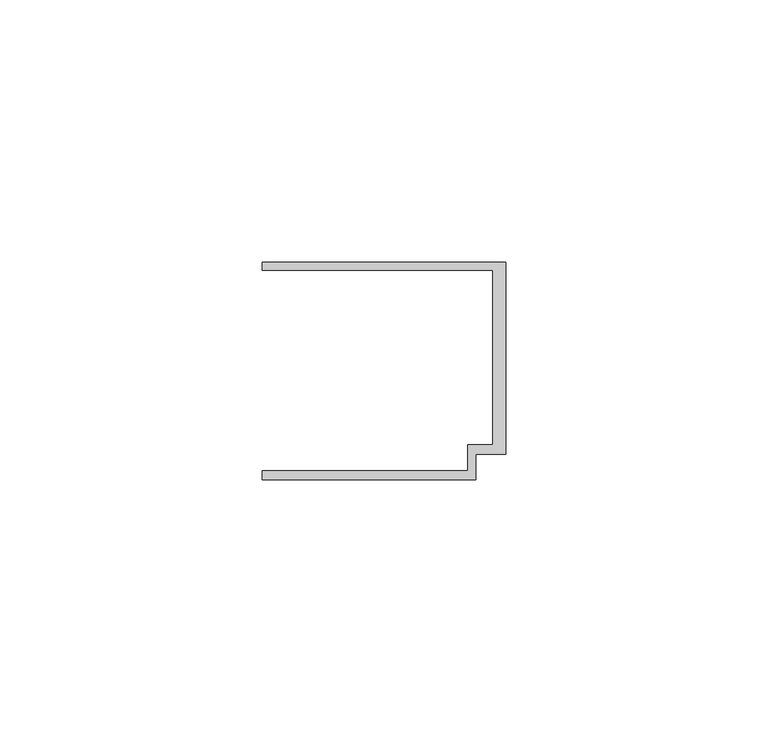
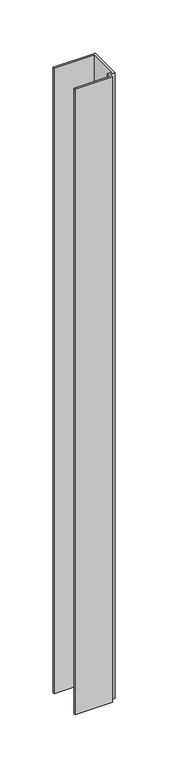
"""IFC4 building model written with IfcOpenShell, lengths in millimetres: member geometry."""

from ifc_helpers import new_model, si_unit, frame, origin, place, context, project, spatial, polyline, outline, extrude, source, transform, mapped, element, save


def member_bea0386d(model_context):
    return source(origin(), model_context, "Body", "SweptSolid", [
        extrude(outline(polyline([(-46.3, 19.2), (-46.3, 20.7), (0.0, 20.7), (0.0, -15.8), (-5.6999992, -15.8), (-5.6999992, -20.7), (-46.3, -20.7), (-46.3, -19.0), (-7.2, -19.0), (-7.2, -14.0), (-2.4, -14.0), (-2.4, 19.2), (-46.3, 19.2)])), frame((0.0, 0.0, -717.1023466), z_axis=(0.0, 0.0, 1.0), x_axis=(1.0, 0.0, 0.0)), (0.0, 0.0, 1.0), 717.1023466),
    ])


if __name__ == "__main__":
    model = new_model("IFC4")
    model_context = context("Model", 3, world=origin())
    ifc_project = project(units=[si_unit("LENGTHUNIT", "METRE", prefix="MILLI")], contexts=[model_context])
    site = spatial("IfcSite", under=ifc_project)
    building = spatial("IfcBuilding", under=site)
    placement = place(None, origin())
    member_shape = member_bea0386d(model_context)
    element("IfcMember", 1, at=placement, inside=building, context=model_context, shape_type="MappedRepresentation", body=[
        mapped(member_shape, transform((0.0, 0.0, 0.0), x_axis=(1.0, 0.0, 0.0), y_axis=(0.0, 1.0, 0.0), z_axis=(0.0, 0.0, 1.0))),
    ])
    save(model, "model.ifc")
